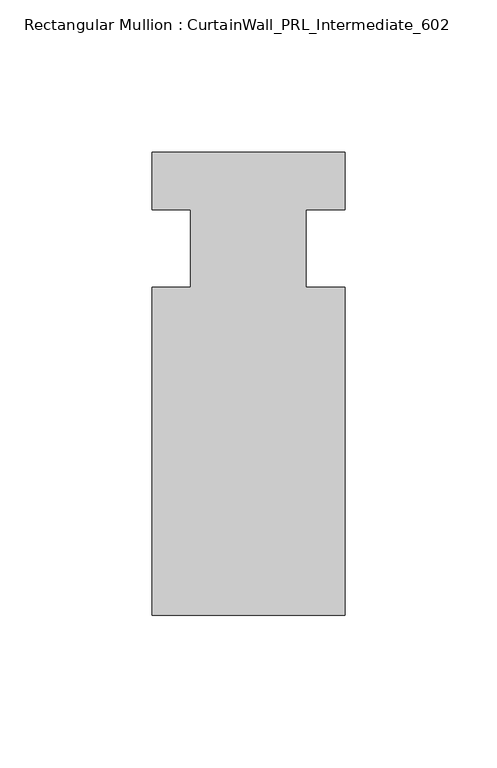
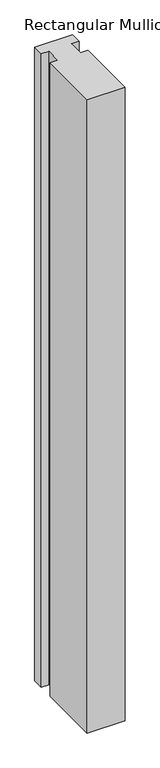
"""IFC4 building model written with IfcOpenShell, lengths in millimetres: member geometry, Rectangular Mullion : CurtainWall_PRL_Intermediate_602."""

from ifc_helpers import new_model, si_unit, frame, origin, place, context, project, spatial, polyline, outline, extrude, source, transform, mapped, element, save


def rectangular_mullion_curtainwall_prl_intermediate_602_d672e6b9(model_context):
    return source(origin(), model_context, "Body", "SweptSolid", [
        extrude(outline(polyline([(-19.05, -12.7), (-19.05, 12.7), (-31.75, 12.7), (-31.75, 31.75), (31.75, 31.75), (31.75, 12.7), (19.05, 12.7), (19.05, -12.7), (31.75, -12.7), (31.75, -120.65), (-31.75, -120.65), (-31.75, -12.7), (-19.05, -12.7)])), frame((0.0, 0.0, -1122.6348719), z_axis=(0.0, 0.0, 1.0), x_axis=(1.0, 0.0, 0.0)), (0.0, 0.0, 1.0), 1122.6348719),
    ])


if __name__ == "__main__":
    model = new_model("IFC4")
    model_context = context("Model", 3, world=origin())
    ifc_project = project(units=[si_unit("LENGTHUNIT", "METRE", prefix="MILLI")], contexts=[model_context])
    site = spatial("IfcSite", under=ifc_project)
    building = spatial("IfcBuilding", under=site)
    placement = place(None, origin())
    rectangular_mullion_curtainwall_prl_intermediate_602_shape = rectangular_mullion_curtainwall_prl_intermediate_602_d672e6b9(model_context)
    element("IfcMember", 1, ObjectType="Rectangular Mullion : CurtainWall_PRL_Intermediate_602", at=placement, inside=building, context=model_context, shape_type="MappedRepresentation", body=[
        mapped(rectangular_mullion_curtainwall_prl_intermediate_602_shape, transform((0.0, 0.0, 0.0), x_axis=(1.0, 0.0, 0.0), y_axis=(0.0, 1.0, 0.0), z_axis=(0.0, 0.0, 1.0))),
    ])
    save(model, "model.ifc")
